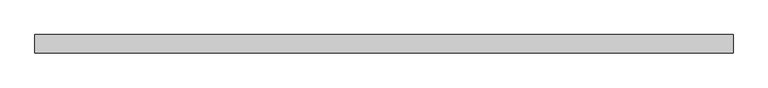
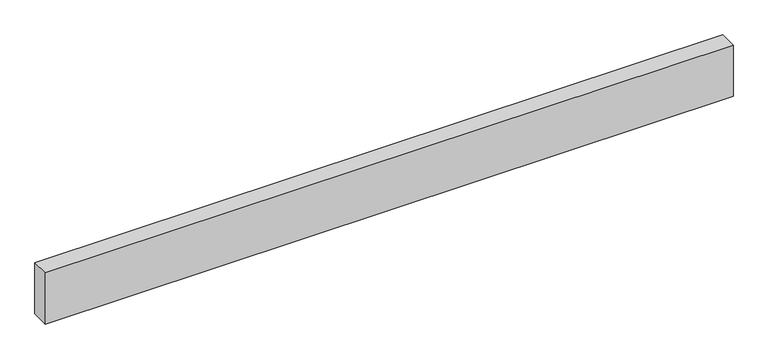
"""IFC4 building model written with IfcOpenShell, lengths in millimetres: proxy geometry."""

from ifc_helpers import new_model, si_unit, origin, origin_with_axes, place, context, project, spatial, polyline, outline, extrude, source, transform, mapped, element, save


def generic_models_43e668eb(model_context):
    return source(origin(), model_context, "Body", "SweptSolid", [
        extrude(outline(polyline([(3823.1098884, 0.0), (3823.1098884, -100.0), (0.0, -100.0), (0.0, 0.0), (3823.1098884, 0.0)])), origin_with_axes(), (0.0, 0.0, 1.0), 300.0),
    ])


if __name__ == "__main__":
    model = new_model("IFC4")
    model_context = context("Model", 3, world=origin())
    ifc_project = project(units=[si_unit("LENGTHUNIT", "METRE", prefix="MILLI")], contexts=[model_context])
    site = spatial("IfcSite", under=ifc_project)
    building = spatial("IfcBuilding", under=site)
    placement = place(None, origin())
    generic_models_shape = generic_models_43e668eb(model_context)
    element("IfcBuildingElementProxy", 1, Name="Generic Models", at=placement, inside=building, context=model_context, shape_type="MappedRepresentation", body=[
        mapped(generic_models_shape, transform((0.0, 0.0, 0.0), x_axis=(1.0, 0.0, 0.0), y_axis=(0.0, 1.0, 0.0), z_axis=(0.0, 0.0, 1.0))),
    ])
    save(model, "model.ifc")
